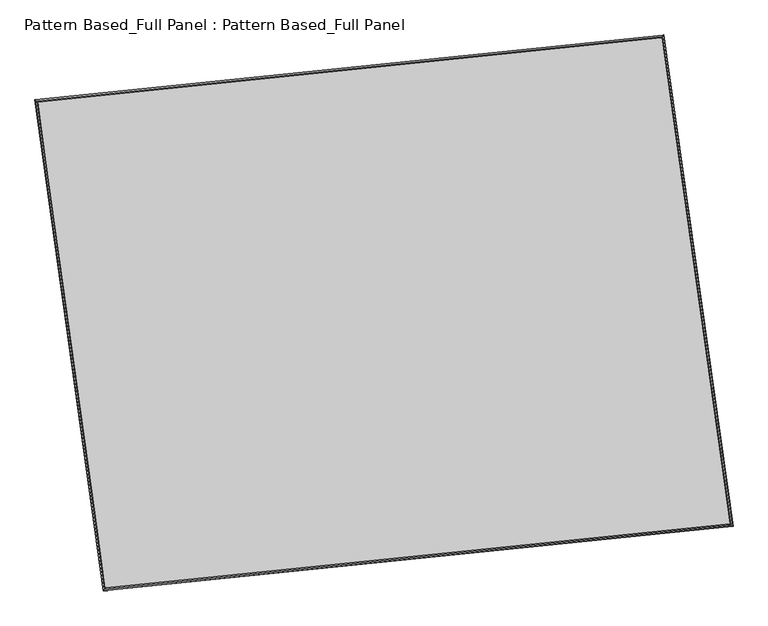
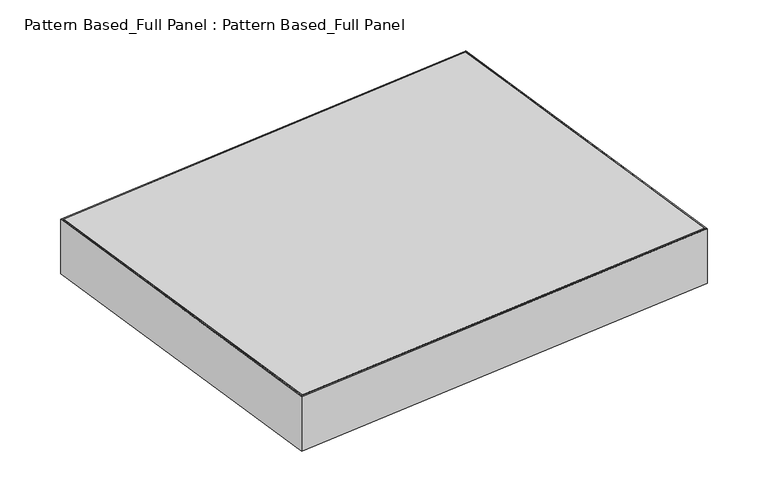
"""IFC4 building model written with IfcOpenShell, lengths in millimetres: plate geometry, Pattern Based_Full Panel : Pattern Based_Full Panel."""

from ifc_helpers import new_model, si_unit, frame, origin, place, context, project, spatial, faceted_brep, source, transform, mapped, element, save
from ifc_brep_helpers import plane_surface, spline_surface, advanced_brep


def pattern_based_full_panel_pattern_based_full_panel_abe16ce3(model_context):
    return source(origin(), model_context, "Body", "SolidModel", [
        advanced_brep(
        [(3777.8998376, 5056.5874786, -153.231547), (5209.7019717, 5204.4407062, -151.5678284), (5209.7020279, 5204.4407156, -154.7428284), (3777.8998938, 5056.587488, -156.406547), (3930.4737981, 3956.9317006, -151.5949827), (3930.4738543, 3956.9317101, -154.7699827), (5364.3505392, 4104.5399443, -153.2048112), (5364.3505954, 4104.5399537, -156.3798112)],
        [
            (0, 1),
            (1, 2),
            (2, 3),
            (3, 0),
            (4, 0),
            (3, 5),
            (5, 4),
            (6, 4),
            (5, 7),
            (7, 6),
            (1, 6),
            (7, 2),
        ],
        [
            plane_surface(frame((4493.8009047, 5130.5140924, -152.3996877), z_axis=(-0.10271752364234855, 0.994710566112322, 1.134687439081916e-06), x_axis=(0.9947099018112242, 0.1027174537256614, 0.0011558281971753514))),
            plane_surface(frame((3854.1868179, 4506.7595896, -152.4132648), z_axis=(-0.990511407684847, -0.13743053126736346, -1.7937482771177948e-05), x_axis=(-0.13743035577610885, 0.9905103352598569, -0.001474128440211456))),
            plane_surface(frame((4647.4121687, 4030.7358225, -152.3998969), z_axis=(0.10240229926401236, -0.9947430668791531, -1.1403624168301543e-06), x_axis=(-0.9947424463976896, -0.10240223666979592, 0.001116807845077218))),
            plane_surface(frame((5287.0262555, 4654.4903252, -152.3863198), z_axis=(0.9902596830799099, 0.13923275385013179, 1.7938377288953175e-05), x_axis=(0.1392326288393028, -0.9902586040895046, -0.0014738022943198354))),
            spline_surface(1, 1, [[(5364.3505954, 4104.5399537, -156.3798112), (5209.7020279, 5204.4407156, -154.7428284)], [(3930.4738543, 3956.9317101, -154.7699827), (3777.8998938, 5056.587488, -156.406547)]], [2, 2], [2, 2], [0.0, 1.0], [0.0, 1.0]),
            spline_surface(1, 1, [[(3777.8998376, 5056.5874786, -153.231547), (5209.7019717, 5204.4407062, -151.5678284)], [(3930.4737981, 3956.9317006, -151.5949827), (5364.3505392, 4104.5399443, -153.2048112)]], [2, 2], [2, 2], [0.0, 1.0], [0.0, 1.0]),
        ],
        [
            (0, [[1, 2, 3, 4]]),
            (1, [[5, -4, 6, 7]]),
            (2, [[8, -7, 9, 10]]),
            (3, [[11, -10, 12, -2]]),
            (4, [[-12, -9, -6, -3]]),
            (5, [[-1, -5, -8, -11]]),
        ],
    ),
        advanced_brep(
        [(3734.9292854, 5090.6739109, -0.9350406), (5242.5081524, 5245.8741439, 0.9350414), (5242.5086027, 5245.8742069, -24.4649586), (3734.9297357, 5090.6739739, -26.3350406), (3897.9934056, 3915.3101451, 0.9065872), (3897.9938559, 3915.310208, -24.4934128), (5407.7381028, 4070.7309961, -0.9065896), (5407.7385531, 4070.731059, -26.3065896)],
        [
            (0, 1),
            (1, 2),
            (2, 3),
            (3, 0),
            (4, 0),
            (3, 5),
            (5, 4),
            (6, 4),
            (5, 7),
            (7, 6),
            (1, 6),
            (7, 2),
        ],
        [
            plane_surface(frame((4488.7187189, 5168.2740274, 4e-07), z_axis=(-0.10240545943098002, 0.9947427415559797, 6.505124932710356e-07), x_axis=(0.9947419843468738, 0.10240538067188884, 0.001233931557878036))),
            plane_surface(frame((3816.4613455, 4502.992028, -0.0142267), z_axis=(-0.99051302471429, -0.13741887625400556, -1.7900695387349077e-05), x_axis=(-0.137418683258953, 0.9905118357772481, -0.0015519911602776177))),
            plane_surface(frame((4652.8657542, 3993.0205706, -1.2e-06), z_axis=(0.10240392764477005, -0.9947428992470876, -6.50540042214319e-07), x_axis=(-0.9947421893033174, -0.10240385534080967, 0.0011946678959509837))),
            plane_surface(frame((5325.1231276, 4658.30257, 0.0142259), z_axis=(0.9902594356669403, 0.13923451350925214, 1.790070071227412e-05), x_axis=(0.1392343733776199, -0.9902582395084126, -0.0015518878313291748))),
            spline_surface(1, 1, [[(5407.7385531, 4070.731059, -26.3065896), (5242.5086027, 5245.8742069, -24.4649586)], [(3897.9938559, 3915.310208, -24.4934128), (3734.9297357, 5090.6739739, -26.3350406)]], [2, 2], [2, 2], [0.0, 1.0], [0.0, 1.0]),
            spline_surface(1, 1, [[(3734.9292854, 5090.6739109, -0.9350406), (5242.5081524, 5245.8741439, 0.9350414)], [(3897.9934056, 3915.3101451, 0.9065872), (5407.7381028, 4070.7309961, -0.9065896)]], [2, 2], [2, 2], [0.0, 1.0], [0.0, 1.0]),
        ],
        [
            (0, [[1, 2, 3, 4]]),
            (1, [[5, -4, 6, 7]]),
            (2, [[8, -7, 9, 10]]),
            (3, [[11, -10, 12, -2]]),
            (4, [[-12, -9, -6, -3]]),
            (5, [[-1, -5, -8, -11]]),
        ],
    ),
        faceted_brep([(5245.7476673, 5252.5868006, 0.9500651), (5245.8549816, 5252.7966289, -202.2498367), (3727.4494212, 5096.4822467, -204.1532144), (3727.7400654, 5096.3133868, -0.9528137), (5243.0295584, 5249.1152027, 0.9431607), (3731.3369126, 5093.4918908, -0.9518021), (5243.0463263, 5249.1479884, -30.806824), (3731.2914994, 5093.5182752, -32.7018647), (5207.7109109, 5204.0172153, -30.8965817), (3778.0505132, 5056.8388279, -32.688714), (5207.8014574, 5204.194258, -202.3464989), (3777.8052822, 5056.9813034, -204.1390522), (3892.33198, 3908.0112014, -202.2754557), (3892.5494014, 3908.3701306, 0.9241111), (3895.2730971, 3911.8422978, 0.9151788), (3895.239125, 3911.7862151, -30.8347535), (3930.6471692, 3956.9243888, -30.9508729), (3930.46372, 3956.6215424, -202.4005074), (5415.3937364, 4064.8034023, -204.1244956), (5414.9388539, 4065.0931209, -0.9241126), (5411.3360029, 4067.9139992, -0.9253643), (5411.4070783, 4067.8687307, -32.6754241), (5364.5700146, 4104.5401489, -32.6916957), (5364.9538217, 4104.2956989, -204.1420188), (5248.2830486, 5253.3226694, -202.246305), (5247.9406256, 5252.8125578, 0.9528141), (5245.2225214, 5249.3409674, 0.9416186), (5245.276025, 5249.4206724, -30.8082438), (5209.9406714, 5204.2899982, -30.9537853), (5210.2295908, 5204.7204048, -202.403042), (5248.0479402, 5253.0223865, -202.2472733)], [[[0, 1, 2, 3]], [[4, 0, 3, 5]], [[6, 4, 5, 7]], [[8, 6, 7, 9]], [[10, 8, 9, 11]], [[1, 10, 11, 2]], [[3, 2, 12, 13]], [[5, 3, 13, 14]], [[7, 5, 14, 15]], [[9, 7, 15, 16]], [[11, 9, 16, 17]], [[2, 11, 17, 12]], [[13, 12, 18, 19]], [[14, 13, 19, 20]], [[15, 14, 20, 21]], [[16, 15, 21, 22]], [[17, 16, 22, 23]], [[12, 17, 23, 18]], [[19, 18, 24, 25]], [[20, 19, 25, 26]], [[21, 20, 26, 27]], [[22, 21, 27, 28]], [[23, 22, 28, 29]], [[18, 23, 29, 30, 24]], [[1, 0, 4, 6, 8, 10]], [[24, 30, 29, 28, 27, 26, 25]]]),
        advanced_brep(
        [(5242.5081524, 5245.8741439, 0.9350414), (3734.9292854, 5090.6739109, -0.9350406), (3734.9292713, 5090.6739089, -0.1412906), (5242.5081383, 5245.874142, 1.7287914), (3897.9934056, 3915.3101451, 0.9065872), (3897.9933915, 3915.3101431, 1.7003372), (5407.7381028, 4070.7309961, -0.9065896), (5407.7380887, 4070.7309941, -0.1128396)],
        [
            (0, 1),
            (1, 2),
            (2, 3),
            (3, 0),
            (1, 4),
            (4, 5),
            (5, 2),
            (4, 6),
            (6, 7),
            (7, 5),
            (6, 0),
            (3, 7),
        ],
        [
            plane_surface(frame((4488.7187189, 5168.2740274, 4e-07), z_axis=(-0.10240545943098034, 0.9947427415559797, 6.505127577029039e-07), x_axis=(-0.9947419843468738, -0.10240538067188884, -0.001233931557878036))),
            plane_surface(frame((3816.4613455, 4502.992028, -0.0142267), z_axis=(-0.99051302471429, -0.1374188762540059, -1.7900695606668106e-05), x_axis=(0.137418683258953, -0.9905118357772481, 0.0015519911602776177))),
            plane_surface(frame((4652.8657542, 3993.0205706, -1.2e-06), z_axis=(0.10240392764476981, -0.9947428992470876, -6.505402346106701e-07), x_axis=(0.9947421893033174, 0.10240385534080967, -0.0011946678959509837))),
            plane_surface(frame((5325.1231276, 4658.30257, 0.0142259), z_axis=(0.9902594356669403, 0.13923451350925292, 1.7900700235346135e-05), x_axis=(-0.1392343733776199, 0.9902582395084126, 0.0015518878313291748))),
            spline_surface(1, 1, [[(3734.9292713, 5090.6739089, -0.1412906), (5242.5081383, 5245.874142, 1.7287914)], [(3897.9933915, 3915.3101431, 1.7003372), (5407.7380887, 4070.7309941, -0.1128396)]], [2, 2], [2, 2], [0.0, 1.0], [0.0, 1.0]),
            spline_surface(1, 1, [[(5407.7381028, 4070.7309961, -0.9065896), (5242.5081524, 5245.8741439, 0.9350414)], [(3897.9934056, 3915.3101451, 0.9065872), (3734.9292854, 5090.6739109, -0.9350406)]], [2, 2], [2, 2], [0.0, 1.0], [0.0, 1.0]),
        ],
        [
            (0, [[1, 2, 3, 4]]),
            (1, [[5, 6, 7, -2]]),
            (2, [[8, 9, 10, -6]]),
            (3, [[11, -4, 12, -9]]),
            (4, [[-3, -7, -10, -12]]),
            (5, [[-11, -8, -5, -1]]),
        ],
    ),
    ])


if __name__ == "__main__":
    model = new_model("IFC4")
    model_context = context("Model", 3, world=origin())
    ifc_project = project(units=[si_unit("LENGTHUNIT", "METRE", prefix="MILLI")], contexts=[model_context])
    site = spatial("IfcSite", under=ifc_project)
    building = spatial("IfcBuilding", under=site)
    placement = place(None, origin())
    pattern_based_full_panel_pattern_based_full_panel_shape = pattern_based_full_panel_pattern_based_full_panel_abe16ce3(model_context)
    element("IfcPlate", 1, ObjectType="Pattern Based_Full Panel : Pattern Based_Full Panel", at=placement, inside=building, context=model_context, shape_type="MappedRepresentation", body=[
        mapped(pattern_based_full_panel_pattern_based_full_panel_shape, transform((0.0, 0.0, 0.0), x_axis=(1.0, 0.0, 0.0), y_axis=(0.0, 1.0, 0.0), z_axis=(0.0, 0.0, 1.0))),
    ])
    save(model, "model.ifc")
